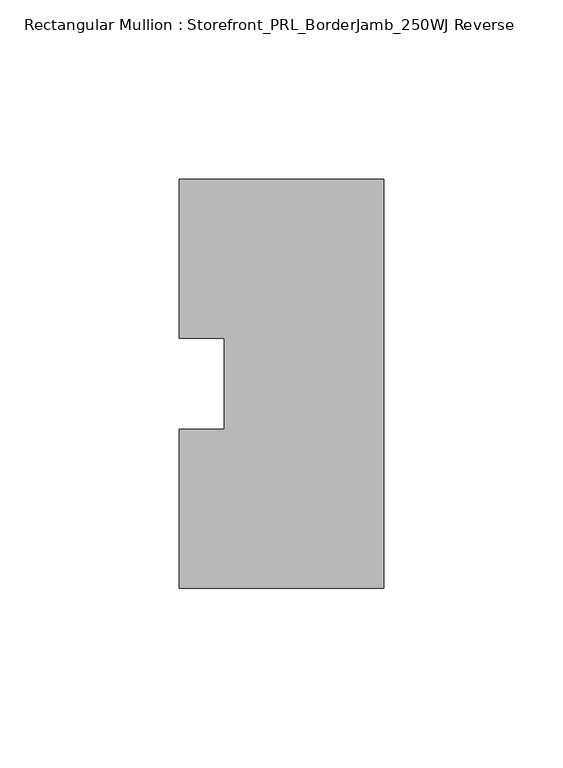
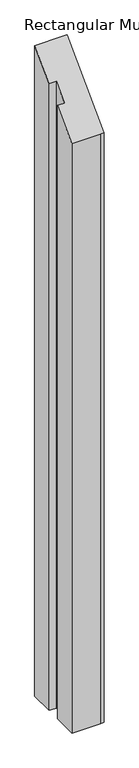
"""IFC4 building model written with IfcOpenShell, lengths in millimetres: member geometry, Rectangular Mullion : Storefront_PRL_BorderJamb_250WJ Reverse."""

from ifc_helpers import new_model, si_unit, origin, place, context, project, spatial, faceted_brep, source, transform, mapped, element, save


def rectangular_mullion_storefront_prl_borderjamb_250wj_reverse_9ed92168(model_context):
    return source(origin(), model_context, "Body", "Brep", [
        faceted_brep([(-44.45, -12.7, -1162.05), (-44.45, 12.7, -1162.05), (-57.15, 12.7, -1162.05), (-57.15, 57.15, -1162.05), (-7.3958824, 57.15, -1162.05), (0.0, 57.15, -1162.05), (0.0, -57.15, -1162.05), (-6.35, -57.15, -1162.05), (-57.15, -57.15, -1162.05), (-57.15, -12.7, -1162.05), (-57.15, -12.7, -12.7), (-44.45, -12.7, -12.7), (-57.15, -57.15, -57.15), (-6.35, -57.15, -57.15), (0.0, -57.15, -57.15), (0.0, 57.15, 57.15), (-7.3958824, 57.15, 57.15), (-57.15, 57.15, 57.15), (-57.15, 12.7, 12.7), (-44.45, 12.7, 12.7)], [[[0, 1, 2, 3, 4, 5, 6, 7, 8, 9]], [[10, 11, 0, 9]], [[12, 10, 9, 8]], [[13, 12, 8, 7]], [[14, 13, 7, 6]], [[15, 14, 6, 5]], [[16, 15, 5, 4]], [[17, 16, 4, 3]], [[18, 17, 3, 2]], [[19, 18, 2, 1]], [[11, 19, 1, 0]], [[11, 10, 12, 13, 14, 15, 16, 17, 18, 19]]]),
    ])


if __name__ == "__main__":
    model = new_model("IFC4")
    model_context = context("Model", 3, world=origin())
    ifc_project = project(units=[si_unit("LENGTHUNIT", "METRE", prefix="MILLI")], contexts=[model_context])
    site = spatial("IfcSite", under=ifc_project)
    building = spatial("IfcBuilding", under=site)
    placement = place(None, origin())
    rectangular_mullion_storefront_prl_borderjamb_250wj_reverse_shape = rectangular_mullion_storefront_prl_borderjamb_250wj_reverse_9ed92168(model_context)
    element("IfcMember", 1, ObjectType="Rectangular Mullion : Storefront_PRL_BorderJamb_250WJ Reverse", at=placement, inside=building, context=model_context, shape_type="MappedRepresentation", body=[
        mapped(rectangular_mullion_storefront_prl_borderjamb_250wj_reverse_shape, transform((0.0, 0.0, 0.0), x_axis=(1.0, 0.0, 0.0), y_axis=(0.0, 1.0, 0.0), z_axis=(0.0, 0.0, 1.0))),
    ])
    save(model, "model.ifc")
